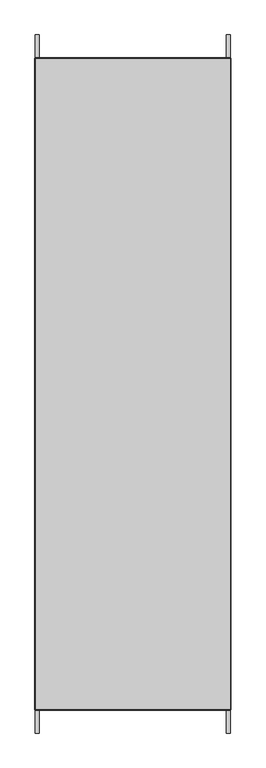
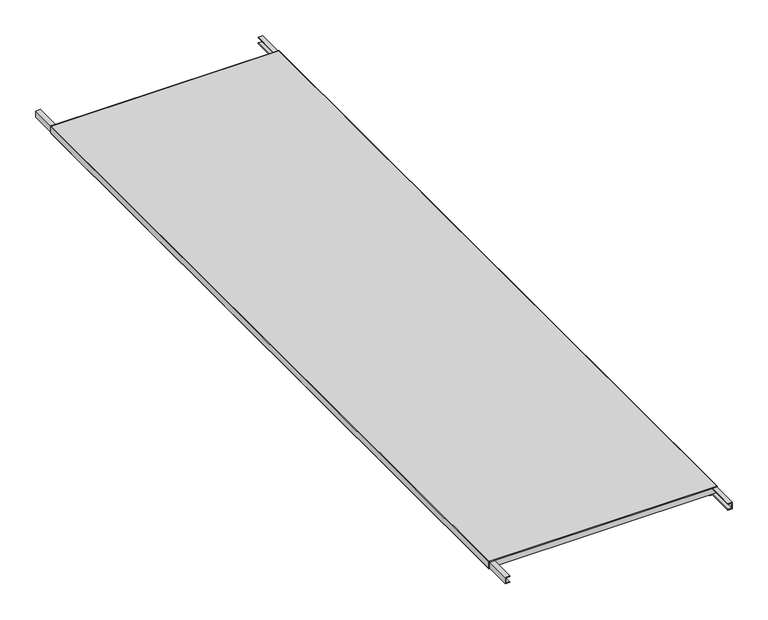
"""IFC4 building model written with IfcOpenShell, lengths in millimetres: proxy geometry."""

from ifc_helpers import new_model, si_unit, frame, origin, place, context, project, spatial, polyline, circle_curve, outline, extrude, source, transform, mapped, element, save
from ifc_brep_helpers import plane_surface, cylinder_surface, advanced_brep


def generic_models_e151c88d(model_context):
    return source(origin(), model_context, "Body", "SolidModel", [
        extrude(outline(polyline([(25.0, 410.0), (25.0, 425.0), (5.0, 425.0), (5.0, 410.0), (2.5, 410.0), (2.5, 427.5), (27.5, 427.5), (27.5, 410.0), (25.0, 410.0)])), frame((0.0, -1530.0, 0.0), z_axis=(0.0, 1.0, 0.0), x_axis=(0.0, 0.0, 1.0)), (0.0, 0.0, 1.0), 3060.0),
        extrude(outline(polyline([(25.0, -410.0), (27.5, -410.0), (27.5, -427.5), (2.5, -427.5), (2.5, -410.0), (5.0, -410.0), (5.0, -425.0), (25.0, -425.0), (25.0, -410.0)])), frame((0.0, -1530.0, 0.0), z_axis=(0.0, 1.0, 0.0), x_axis=(0.0, 0.0, 1.0)), (0.0, 0.0, 1.0), 3060.0),
        advanced_brep(
        [(-427.5, 1427.5, 30.0), (-427.5, 1430.0, 27.5), (-427.5, 1430.0, 0.0), (-427.5, 1427.5, 0.0), (-427.5, 1427.5, 2.5), (-427.5, 1427.5, 27.5), (-427.5, -1430.0, 27.5), (-427.5, -1427.5, 30.0), (-427.5, -1427.5, 27.5), (427.5, 1430.0, 0.0), (427.5, 1430.0, 27.5), (427.5, 1427.5, 30.0), (427.5, 1427.5, 27.5), (427.5, 1427.5, 2.5), (427.5, 1427.5, 0.0), (427.5, -1427.5, 30.0), (427.5, -1430.0, 27.5), (427.5, -1427.5, 27.5), (427.5, -1427.5, 0.0), (400.0, -1427.5, 0.0), (400.0, 1427.5, 0.0), (-400.0, 1427.5, 0.0), (-400.0, -1427.5, 0.0), (-427.5, -1427.5, 0.0), (400.0, 1427.5, 2.5), (427.5, 1427.5, 2.5), (427.5, 1427.5, 27.5), (-427.5, 1427.5, 27.5), (-427.5, 1427.5, 2.5), (-400.0, 1427.5, 2.5), (-425.0, -1427.5, 25.0), (-410.0, -1427.5, 25.0), (-410.0, -1427.5, 27.5), (410.0, -1427.5, 27.5), (410.0, -1427.5, 25.0), (425.0, -1427.5, 25.0), (425.0, -1427.5, 5.0), (-425.0, -1427.5, 5.0), (410.0, -1430.0, 27.5), (-410.0, -1430.0, 27.5), (-410.0, -1430.0, 25.0), (-425.0, -1430.0, 25.0), (-425.0, -1430.0, 5.0), (425.0, -1430.0, 5.0), (425.0, -1430.0, 25.0), (410.0, -1430.0, 25.0), (430.0, -1427.5, 27.5), (427.5, -1427.5, 2.5), (400.0, -1427.5, 2.5), (430.0, -1427.5, 2.5), (-430.0, -1427.5, 27.5), (-430.0, -1427.5, 2.5), (-400.0, -1427.5, 2.5), (-427.5, -1427.5, 2.5), (430.0, 1427.5, 27.5), (430.0, 1427.5, 2.5), (-430.0, 1427.5, 2.5), (-430.0, 1427.5, 27.5)],
        [
            (0, 1, circle_curve(frame((-427.5, 1427.5, 27.5), z_axis=(-1.0, 0.0, 0.0), x_axis=(0.0, 1.0, 0.0)), 2.5)),
            (1, 2),
            (2, 3),
            (3, 4),
            (4, 5),
            (5, 0),
            (6, 7, circle_curve(frame((-427.5, -1427.5, 27.5), z_axis=(-1.0, 0.0, 0.0), x_axis=(0.0, 1.0, 0.0)), 2.5)),
            (7, 8),
            (8, 6),
            (9, 10),
            (10, 11, circle_curve(frame((427.5, 1427.5, 27.5), z_axis=(1.0, 0.0, 0.0), x_axis=(0.0, 1.0, 0.0)), 2.5)),
            (11, 12),
            (12, 13),
            (13, 14),
            (14, 9),
            (15, 16, circle_curve(frame((427.5, -1427.5, 27.5), z_axis=(1.0, 0.0, 0.0), x_axis=(0.0, 1.0, 0.0)), 2.5)),
            (16, 17),
            (17, 15),
            (2, 9),
            (14, 18),
            (18, 19),
            (19, 20),
            (20, 21),
            (21, 22),
            (22, 23),
            (23, 3),
            (20, 24),
            (24, 25),
            (25, 26),
            (26, 27),
            (27, 28),
            (28, 29),
            (29, 21),
            (1, 10),
            (30, 31),
            (31, 32),
            (32, 33),
            (33, 34),
            (34, 35),
            (35, 36),
            (36, 37),
            (37, 30),
            (38, 39),
            (39, 40),
            (40, 41),
            (41, 42),
            (42, 43),
            (43, 44),
            (44, 45),
            (45, 38),
            (0, 11),
            (6, 39),
            (38, 16),
            (15, 7),
            (38, 33),
            (32, 39),
            (8, 27),
            (26, 17),
            (40, 31),
            (30, 41),
            (37, 42),
            (36, 43),
            (35, 44),
            (34, 45),
            (46, 15, circle_curve(frame((427.5, -1427.5, 27.5), z_axis=(0.0, -1.0, 0.0), x_axis=(-1.0, 0.0, 0.0)), 2.5)),
            (17, 47),
            (47, 48),
            (48, 19),
            (18, 49, circle_curve(frame((427.5, -1427.5, 2.5), z_axis=(0.0, -1.0, 0.0), x_axis=(-1.0, 0.0, 0.0)), 2.5)),
            (49, 46),
            (7, 50, circle_curve(frame((-427.5, -1427.5, 27.5), z_axis=(0.0, -1.0, 0.0), x_axis=(-1.0, 0.0, 0.0)), 2.5)),
            (50, 51),
            (51, 23, circle_curve(frame((-427.5, -1427.5, 2.5), z_axis=(0.0, -1.0, 0.0), x_axis=(-1.0, 0.0, 0.0)), 2.5)),
            (22, 52),
            (52, 53),
            (53, 8),
            (54, 55),
            (55, 14, circle_curve(frame((427.5, 1427.5, 2.5), z_axis=(0.0, 1.0, 0.0), x_axis=(-1.0, 0.0, 0.0)), 2.5)),
            (11, 54, circle_curve(frame((427.5, 1427.5, 27.5), z_axis=(0.0, 1.0, 0.0), x_axis=(-1.0, 0.0, 0.0)), 2.5)),
            (3, 56, circle_curve(frame((-427.5, 1427.5, 2.5), z_axis=(0.0, 1.0, 0.0), x_axis=(-1.0, 0.0, 0.0)), 2.5)),
            (56, 57),
            (57, 0, circle_curve(frame((-427.5, 1427.5, 27.5), z_axis=(0.0, 1.0, 0.0), x_axis=(-1.0, 0.0, 0.0)), 2.5)),
            (15, 11),
            (0, 7),
            (50, 57),
            (56, 51),
            (29, 52),
            (28, 53),
            (25, 47),
            (24, 48),
            (49, 55),
            (54, 46),
        ],
        [
            plane_surface(frame((-427.5, 0.0, 0.0), z_axis=(-1.0, 0.0, 0.0), x_axis=(0.0, 0.0, 1.0))),
            plane_surface(frame((427.5, 0.0, 0.0), z_axis=(1.0, 0.0, 0.0), x_axis=(0.0, 0.0, 1.0))),
            plane_surface(frame((-427.5, 1430.0, 0.0), z_axis=(0.0, 0.0, -1.0), x_axis=(1.0, 0.0, 0.0))),
            plane_surface(frame((-427.5, 1427.5, 2.5), z_axis=(0.0, -1.0, 0.0), x_axis=(1.0, 0.0, 0.0))),
            plane_surface(frame((-427.5, 1430.0, 27.5), z_axis=(0.0, 1.0, 0.0), x_axis=(1.0, 0.0, 0.0))),
            plane_surface(frame((-427.5, -1427.5, 30.0), z_axis=(0.0, 1.0, 0.0), x_axis=(1.0, 0.0, 0.0))),
            plane_surface(frame((-427.5, -1430.0, 0.0), z_axis=(0.0, -1.0, 0.0), x_axis=(1.0, 0.0, 0.0))),
            cylinder_surface(frame((-427.5, 1427.5, 27.5), z_axis=(-1.0, 0.0, 0.0), x_axis=(0.0, 1.0, 0.0)), 2.5),
            cylinder_surface(frame((-427.5, -1427.5, 27.5), z_axis=(-1.0, 0.0, 0.0), x_axis=(0.0, 1.0, 0.0)), 2.5),
            plane_surface(frame((-427.5, 1427.5, 27.5), z_axis=(0.0, 0.0, -1.0), x_axis=(0.0, -1.0, 0.0))),
            plane_surface(frame((-410.0, 1427.5, 25.0), z_axis=(0.0, 0.0, 1.0), x_axis=(0.0, -1.0, 0.0))),
            plane_surface(frame((-425.0, 1427.5, 25.0), z_axis=(-1.0, 0.0, 0.0), x_axis=(0.0, -1.0, 0.0))),
            plane_surface(frame((-425.0, 1427.5, 5.0), z_axis=(0.0, 0.0, -1.0), x_axis=(0.0, -1.0, 0.0))),
            plane_surface(frame((425.0, 1427.5, 5.0), z_axis=(1.0, 0.0, 0.0), x_axis=(0.0, -1.0, 0.0))),
            plane_surface(frame((425.0, 1427.5, 25.0), z_axis=(0.0, 0.0, 1.0), x_axis=(0.0, -1.0, 0.0))),
            plane_surface(frame((-410.0, 1427.5, 27.5), z_axis=(-1.0, 0.0, 0.0), x_axis=(0.0, -1.0, 0.0))),
            plane_surface(frame((410.0, 1427.5, 25.0), z_axis=(1.0, 0.0, 0.0), x_axis=(0.0, -1.0, 0.0))),
            plane_surface(frame((0.0, -1427.5, 0.0), z_axis=(0.0, -1.0, 0.0), x_axis=(0.0, 0.0, 1.0))),
            plane_surface(frame((0.0, 1427.5, 0.0), z_axis=(0.0, 1.0, 0.0), x_axis=(0.0, 0.0, 1.0))),
            plane_surface(frame((427.5, -1427.5, 30.0), z_axis=(0.0, 0.0, 1.0), x_axis=(0.0, 1.0, 0.0))),
            plane_surface(frame((-430.0, -1427.5, 27.5), z_axis=(-1.0, 0.0, 0.0), x_axis=(0.0, 1.0, 0.0))),
            plane_surface(frame((-400.0, -1427.5, 0.0), z_axis=(1.0, 0.0, 0.0), x_axis=(0.0, 1.0, 0.0))),
            plane_surface(frame((-400.0, -1427.5, 2.5), z_axis=(0.0, 0.0, 1.0), x_axis=(0.0, 1.0, 0.0))),
            plane_surface(frame((-427.5, -1427.5, 2.5), z_axis=(1.0, 0.0, 0.0), x_axis=(0.0, 1.0, 0.0))),
            plane_surface(frame((427.5, -1427.5, 27.5), z_axis=(-1.0, 0.0, 0.0), x_axis=(0.0, 1.0, 0.0))),
            plane_surface(frame((427.5, -1427.5, 2.5), z_axis=(0.0, 0.0, 1.0), x_axis=(0.0, 1.0, 0.0))),
            plane_surface(frame((400.0, -1427.5, 2.5), z_axis=(-1.0, 0.0, 0.0), x_axis=(0.0, 1.0, 0.0))),
            plane_surface(frame((430.0, -1427.5, 2.5), z_axis=(1.0, 0.0, 0.0), x_axis=(0.0, 1.0, 0.0))),
            cylinder_surface(frame((427.5, -1427.5, 27.5), z_axis=(0.0, -1.0, 0.0), x_axis=(-1.0, 0.0, 0.0)), 2.5),
            cylinder_surface(frame((-427.5, -1427.5, 27.5), z_axis=(0.0, -1.0, 0.0), x_axis=(-1.0, 0.0, 0.0)), 2.5),
            cylinder_surface(frame((-427.5, -1427.5, 2.5), z_axis=(0.0, -1.0, 0.0), x_axis=(-1.0, 0.0, 0.0)), 2.5),
            cylinder_surface(frame((427.5, -1427.5, 2.5), z_axis=(0.0, -1.0, 0.0), x_axis=(-1.0, 0.0, 0.0)), 2.5),
        ],
        [
            (0, [[1, 2, 3, 4, 5, 6]]),
            (0, [[7, 8, 9]]),
            (1, [[10, 11, 12, 13, 14, 15]]),
            (1, [[16, 17, 18]]),
            (2, [[19, -15, 20, 21, 22, 23, 24, 25, 26, -3]]),
            (3, [[-23, 27, 28, 29, 30, 31, 32, 33]]),
            (4, [[-2, 34, -10, -19]]),
            (5, [[35, 36, 37, 38, 39, 40, 41, 42]]),
            (6, [[43, 44, 45, 46, 47, 48, 49, 50]]),
            (7, [[-1, 51, -11, -34]]),
            (8, [[-7, 52, -43, 53, -16, 54]]),
            (9, [[55, -37, 56, -52, -9, 57, -30, 58, -17, -53]]),
            (10, [[59, -35, 60, -45]]),
            (11, [[-60, -42, 61, -46]]),
            (12, [[-61, -41, 62, -47]]),
            (13, [[-62, -40, 63, -48]]),
            (14, [[-63, -39, 64, -49]]),
            (15, [[-59, -44, -56, -36]]),
            (16, [[-55, -50, -64, -38]]),
            (17, [[65, -18, 66, 67, 68, -21, 69, 70]]),
            (17, [[71, 72, 73, -25, 74, 75, 76, -8]]),
            (18, [[77, 78, -14, -13, -12, 79]]),
            (18, [[80, 81, 82, -6, -5, -4]]),
            (19, [[83, -51, 84, -54]]),
            (20, [[-72, 85, -81, 86]]),
            (21, [[-74, -24, -33, 87]]),
            (22, [[-75, -87, -32, 88]]),
            (23, [[-76, -88, -31, -57]]),
            (24, [[-66, -58, -29, 89]]),
            (25, [[-67, -89, -28, 90]]),
            (26, [[-68, -90, -27, -22]]),
            (27, [[-70, 91, -77, 92]]),
            (28, [[-65, -92, -79, -83]]),
            (29, [[-71, -84, -82, -85]]),
            (30, [[-73, -86, -80, -26]]),
            (31, [[-69, -20, -78, -91]]),
        ],
    ),
    ])


if __name__ == "__main__":
    model = new_model("IFC4")
    model_context = context("Model", 3, world=origin())
    ifc_project = project(units=[si_unit("LENGTHUNIT", "METRE", prefix="MILLI")], contexts=[model_context])
    site = spatial("IfcSite", under=ifc_project)
    building = spatial("IfcBuilding", under=site)
    placement = place(None, origin())
    generic_models_shape = generic_models_e151c88d(model_context)
    element("IfcBuildingElementProxy", 1, Name="Generic Models", at=placement, inside=building, context=model_context, shape_type="MappedRepresentation", body=[
        mapped(generic_models_shape, transform((0.0, 0.0, 0.0), x_axis=(1.0, 0.0, 0.0), y_axis=(0.0, 1.0, 0.0), z_axis=(0.0, 0.0, 1.0))),
    ])
    save(model, "model.ifc")
